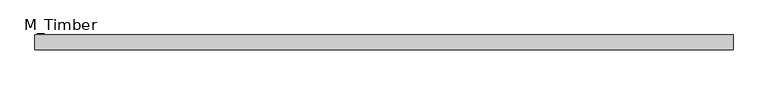
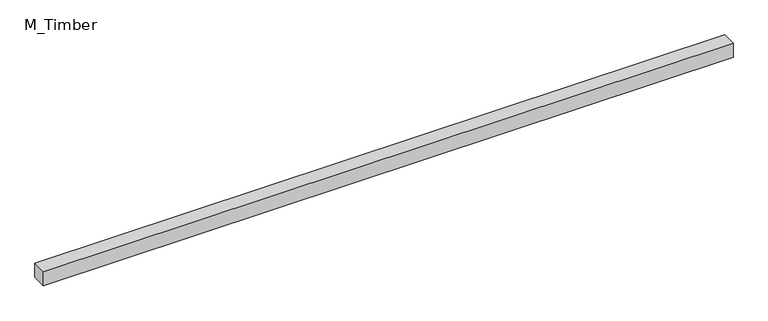
"""IFC4 building model written with IfcOpenShell, lengths in millimetres: beam geometry, M_Timber."""

import ifcopenshell
import ifcopenshell.guid

model = None  # the IFC model being written
_history = None  # IfcOwnerHistory: only IFC2X3 demands one
_inside = {}  # id of a spatial element -> (the spatial element, [elements in it])
_under = {}  # id of a project, library or spatial element -> (it, [spatial elements below it])
_declared = {}  # id of a project -> (the project, [libraries it declares])
_typed = {}  # id of a type object -> (the type object, [elements of that type])
_made_of = {}  # id of a material, layer set ... -> (it, [elements and type objects made of it])


def new_model(schema):
    """Start an empty IFC model of exactly this schema.

    Asked for "IFC4X3", IfcOpenShell would pick the latest addendum, in which some entities
    have other attributes; the version numbers below select the first issue.
    IFC2X3 requires an IfcOwnerHistory on every rooted entity: one is made here for all.
    """
    global model, _history
    if schema == "IFC4X3":
        model = ifcopenshell.file(schema_version=(4, 3, 0, 0))
    else:
        model = ifcopenshell.file(schema=schema)
    _inside.clear()
    _under.clear()
    _declared.clear()
    _typed.clear()
    _made_of.clear()
    _history = None
    if model.schema == "IFC2X3":
        org = make("IfcOrganization", Name="unknown")
        user = make(
            "IfcPersonAndOrganization",
            ThePerson=make("IfcPerson", FamilyName="unknown"),
            TheOrganization=org,
        )
        app = make(
            "IfcApplication",
            ApplicationDeveloper=org,
            Version="unknown",
            ApplicationFullName="unknown",
            ApplicationIdentifier="unknown",
        )
        _history = make(
            "IfcOwnerHistory",
            OwningUser=user,
            OwningApplication=app,
            ChangeAction="ADDED",
            CreationDate=0,
        )
    return model


def make(cls, **values):
    """One entity of the class cls with the attributes given. An attribute that is None is left unset."""
    return model.create_entity(
        cls, **{name: value for name, value in values.items() if value is not None}
    )


def rooted(cls, **values):
    """An entity with a GlobalId (a new one), such as an element, a storey or a relation."""
    return make(cls, GlobalId=ifcopenshell.guid.new(), OwnerHistory=_history, **values)


def si_unit(unit_type, name, prefix=None):
    """IfcSIUnit, for example si_unit("LENGTHUNIT", "METRE", prefix="MILLI")."""
    return make("IfcSIUnit", UnitType=unit_type, Prefix=prefix, Name=name)


def assignment(units):
    """IfcUnitAssignment: the units of a project."""
    return None if units is None else make("IfcUnitAssignment", Units=units)


def point(xyz):
    """IfcCartesianPoint."""
    return None if xyz is None else make("IfcCartesianPoint", Coordinates=xyz)


def direction(xyz):
    """IfcDirection."""
    return None if xyz is None else make("IfcDirection", DirectionRatios=xyz)


def frame(location, z_axis=None, x_axis=None):
    """IfcAxis2Placement3D, a coordinate frame: its origin and axes. An axis left out is left unset."""
    return make(
        "IfcAxis2Placement3D",
        Location=point(location),
        Axis=direction(z_axis),
        RefDirection=direction(x_axis),
    )


def origin():
    """The frame at (0, 0, 0) with its axes left unset."""
    return frame((0.0, 0.0, 0.0))


def place(relative_to, where):
    """IfcLocalPlacement: puts the frame where relative to a parent placement (None: the world)."""
    return make(
        "IfcLocalPlacement", PlacementRelTo=relative_to, RelativePlacement=where
    )


def context(
    kind, dimensions, precision=None, world=None, true_north=None, identifier=None
):
    """IfcGeometricRepresentationContext, for example the 3D "Model" context."""
    return make(
        "IfcGeometricRepresentationContext",
        ContextIdentifier=identifier,
        ContextType=kind,
        CoordinateSpaceDimension=dimensions,
        Precision=precision,
        WorldCoordinateSystem=world,
        TrueNorth=true_north,
    )


def project(units=None, contexts=None):
    """IfcProject with its units and contexts."""
    return rooted(
        "IfcProject",
        Name="project",
        RepresentationContexts=contexts,
        UnitsInContext=assignment(units),
    )


def spatial(cls, under=None, at=None, **own):
    """A site, building, storey or space (cls), placed at a placement, below another one or the project."""
    s = rooted(cls, ObjectPlacement=at, **own)
    if under is not None:
        _under.setdefault(under.id(), (under, []))[1].append(s)
    return s


def polyline(points):
    """IfcPolyline through the points."""
    return make("IfcPolyline", Points=[point(p) for p in points])


def outline(outer, holes=None, kind="AREA"):
    """IfcArbitraryClosedProfileDef: a profile drawn as a closed curve; with holes, ...WithVoids."""
    if holes is None:
        return make("IfcArbitraryClosedProfileDef", ProfileType=kind, OuterCurve=outer)
    return make(
        "IfcArbitraryProfileDefWithVoids",
        ProfileType=kind,
        OuterCurve=outer,
        InnerCurves=holes,
    )


def extrude(swept, where, along, depth):
    """IfcExtrudedAreaSolid: the profile swept, set in the frame where, extruded along a direction by depth."""
    return make(
        "IfcExtrudedAreaSolid",
        SweptArea=swept,
        Position=where,
        ExtrudedDirection=direction(along),
        Depth=depth,
    )


def shape(context_of_items, identifier, shape_type, items):
    """IfcShapeRepresentation: the items that make up one representation, for example the "Body"."""
    return make(
        "IfcShapeRepresentation",
        ContextOfItems=context_of_items,
        RepresentationIdentifier=identifier,
        RepresentationType=shape_type,
        Items=items,
    )


def source(mapping_origin, context_of_items, identifier, shape_type, items):
    """IfcRepresentationMap: a shape defined once, which mapped items show again and again."""
    return make(
        "IfcRepresentationMap",
        MappingOrigin=mapping_origin,
        MappedRepresentation=shape(context_of_items, identifier, shape_type, items),
    )


def transform(
    local_origin,
    x_axis=None,
    y_axis=None,
    z_axis=None,
    scale=None,
    scale2=None,
    scale3=None,
    uniform=True,
):
    """IfcCartesianTransformationOperator3D, or its non-uniform kind. x_axis, y_axis, z_axis: its Axis1, 2, 3."""
    if uniform:
        return make(
            "IfcCartesianTransformationOperator3D",
            Axis1=direction(x_axis),
            Axis2=direction(y_axis),
            LocalOrigin=point(local_origin),
            Scale=scale,
            Axis3=direction(z_axis),
        )
    return make(
        "IfcCartesianTransformationOperator3DnonUniform",
        Axis1=direction(x_axis),
        Axis2=direction(y_axis),
        LocalOrigin=point(local_origin),
        Scale=scale,
        Axis3=direction(z_axis),
        Scale2=scale2,
        Scale3=scale3,
    )


def mapped(mapping_source, mapping_target):
    """IfcMappedItem: shows the shape of a source again, moved by a transform."""
    return make(
        "IfcMappedItem", MappingSource=mapping_source, MappingTarget=mapping_target
    )


def made_of(thing, what):
    """Note that an element or type object is made of a material, layer set ...; save() writes the relation."""
    if what is not None:
        _made_of.setdefault(what.id(), (what, []))[1].append(thing)
    return thing


def element(
    cls,
    number,
    at=None,
    inside=None,
    cuts=None,
    type_object=None,
    material=None,
    context=None,
    identifier="Body",
    shape_type=None,
    held_by="IfcProductDefinitionShape",
    body=None,
    shapes=None,
    **own,
):
    """One element of the class cls, such as IfcWall. Its Tag is "e" and its number.

    at: its placement. inside: the storey or other place that contains it. cuts: it is an
    opening in that element (IfcRelVoidsElement). A single representation is given by context,
    identifier, shape_type and body (its items); several are given by shapes. held_by: the class
    of the entity that holds the representations. save() writes the other relations.
    """
    e = rooted(cls, Tag="e%d" % number, ObjectPlacement=at, **own)
    if body is not None:
        shapes = [shape(context, identifier, shape_type, body)]
    if shapes is not None:
        e.Representation = make(held_by, Representations=shapes)
    if inside is not None:
        _inside.setdefault(inside.id(), (inside, []))[1].append(e)
    if cuts is not None:
        rooted(
            "IfcRelVoidsElement", RelatingBuildingElement=cuts, RelatedOpeningElement=e
        )
    if type_object is not None:
        _typed.setdefault(type_object.id(), (type_object, []))[1].append(e)
    return made_of(e, material)


def aggregate(whole, parts):
    """IfcRelAggregates: a whole, such as a stair, and the parts it consists of."""
    return rooted("IfcRelAggregates", RelatingObject=whole, RelatedObjects=parts)


def save(model, path):
    """Write the relations noted so far, then the file.

    IfcRelAggregates (storeys below a building ...), IfcRelContainedInSpatialStructure (elements
    in a storey), IfcRelDefinesByType, IfcRelAssociatesMaterial and IfcRelDeclares: one each for
    every whole, place, type object, material and project.
    """
    for whole, parts in _under.values():
        aggregate(whole, parts)
    for where, things in _inside.values():
        rooted(
            "IfcRelContainedInSpatialStructure",
            RelatedElements=things,
            RelatingStructure=where,
        )
    for kind, things in _typed.values():
        rooted("IfcRelDefinesByType", RelatedObjects=things, RelatingType=kind)
    for what, things in _made_of.values():
        rooted("IfcRelAssociatesMaterial", RelatedObjects=things, RelatingMaterial=what)
    for by, libraries in _declared.values():
        rooted("IfcRelDeclares", RelatingContext=by, RelatedDefinitions=libraries)
    model.write(path)


def m_timber_eeebdefd(model_context):
    return source(origin(), model_context, "Body", "SweptSolid", [
        extrude(outline(polyline([(936.7915428, 20.0), (936.7915428, -20.0), (-936.7915428, -20.0), (-936.7915428, 20.0), (936.7915428, 20.0)])), frame((0.0, 0.0, -20.0), z_axis=(0.0, 0.0, 1.0), x_axis=(1.0, 0.0, 0.0)), (0.0, 0.0, 1.0), 40.0),
    ])


if __name__ == "__main__":
    model = new_model("IFC4")
    model_context = context("Model", 3, world=origin())
    ifc_project = project(units=[si_unit("LENGTHUNIT", "METRE", prefix="MILLI")], contexts=[model_context])
    site = spatial("IfcSite", under=ifc_project)
    building = spatial("IfcBuilding", under=site)
    placement = place(None, origin())
    m_timber_shape = m_timber_eeebdefd(model_context)
    element("IfcBeam", 1, ObjectType="M_Timber", at=placement, inside=building, context=model_context, shape_type="MappedRepresentation", body=[
        mapped(m_timber_shape, transform((0.0, 0.0, 0.0), x_axis=(1.0, 0.0, 0.0), y_axis=(0.0, 1.0, 0.0), z_axis=(0.0, 0.0, 1.0))),
    ])
    save(model, "model.ifc")
